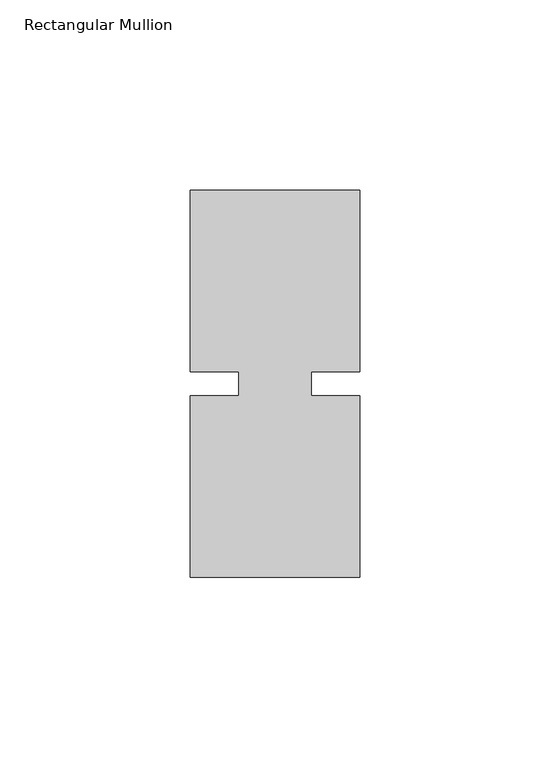
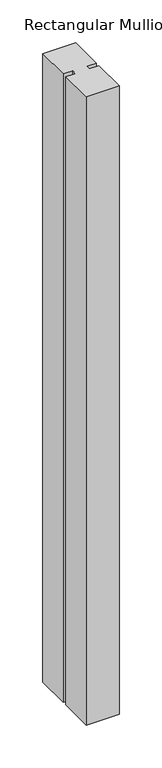
"""IFC4 building model written with IfcOpenShell, lengths in millimetres: member geometry, Rectangular Mullion."""

import ifcopenshell
import ifcopenshell.guid

model = None  # the IFC model being written
_history = None  # IfcOwnerHistory: only IFC2X3 demands one
_inside = {}  # id of a spatial element -> (the spatial element, [elements in it])
_under = {}  # id of a project, library or spatial element -> (it, [spatial elements below it])
_declared = {}  # id of a project -> (the project, [libraries it declares])
_typed = {}  # id of a type object -> (the type object, [elements of that type])
_made_of = {}  # id of a material, layer set ... -> (it, [elements and type objects made of it])


def new_model(schema):
    """Start an empty IFC model of exactly this schema.

    Asked for "IFC4X3", IfcOpenShell would pick the latest addendum, in which some entities
    have other attributes; the version numbers below select the first issue.
    IFC2X3 requires an IfcOwnerHistory on every rooted entity: one is made here for all.
    """
    global model, _history
    if schema == "IFC4X3":
        model = ifcopenshell.file(schema_version=(4, 3, 0, 0))
    else:
        model = ifcopenshell.file(schema=schema)
    _inside.clear()
    _under.clear()
    _declared.clear()
    _typed.clear()
    _made_of.clear()
    _history = None
    if model.schema == "IFC2X3":
        org = make("IfcOrganization", Name="unknown")
        user = make(
            "IfcPersonAndOrganization",
            ThePerson=make("IfcPerson", FamilyName="unknown"),
            TheOrganization=org,
        )
        app = make(
            "IfcApplication",
            ApplicationDeveloper=org,
            Version="unknown",
            ApplicationFullName="unknown",
            ApplicationIdentifier="unknown",
        )
        _history = make(
            "IfcOwnerHistory",
            OwningUser=user,
            OwningApplication=app,
            ChangeAction="ADDED",
            CreationDate=0,
        )
    return model


def make(cls, **values):
    """One entity of the class cls with the attributes given. An attribute that is None is left unset."""
    return model.create_entity(
        cls, **{name: value for name, value in values.items() if value is not None}
    )


def rooted(cls, **values):
    """An entity with a GlobalId (a new one), such as an element, a storey or a relation."""
    return make(cls, GlobalId=ifcopenshell.guid.new(), OwnerHistory=_history, **values)


def si_unit(unit_type, name, prefix=None):
    """IfcSIUnit, for example si_unit("LENGTHUNIT", "METRE", prefix="MILLI")."""
    return make("IfcSIUnit", UnitType=unit_type, Prefix=prefix, Name=name)


def assignment(units):
    """IfcUnitAssignment: the units of a project."""
    return None if units is None else make("IfcUnitAssignment", Units=units)


def point(xyz):
    """IfcCartesianPoint."""
    return None if xyz is None else make("IfcCartesianPoint", Coordinates=xyz)


def direction(xyz):
    """IfcDirection."""
    return None if xyz is None else make("IfcDirection", DirectionRatios=xyz)


def frame(location, z_axis=None, x_axis=None):
    """IfcAxis2Placement3D, a coordinate frame: its origin and axes. An axis left out is left unset."""
    return make(
        "IfcAxis2Placement3D",
        Location=point(location),
        Axis=direction(z_axis),
        RefDirection=direction(x_axis),
    )


def origin():
    """The frame at (0, 0, 0) with its axes left unset."""
    return frame((0.0, 0.0, 0.0))


def place(relative_to, where):
    """IfcLocalPlacement: puts the frame where relative to a parent placement (None: the world)."""
    return make(
        "IfcLocalPlacement", PlacementRelTo=relative_to, RelativePlacement=where
    )


def context(
    kind, dimensions, precision=None, world=None, true_north=None, identifier=None
):
    """IfcGeometricRepresentationContext, for example the 3D "Model" context."""
    return make(
        "IfcGeometricRepresentationContext",
        ContextIdentifier=identifier,
        ContextType=kind,
        CoordinateSpaceDimension=dimensions,
        Precision=precision,
        WorldCoordinateSystem=world,
        TrueNorth=true_north,
    )


def project(units=None, contexts=None):
    """IfcProject with its units and contexts."""
    return rooted(
        "IfcProject",
        Name="project",
        RepresentationContexts=contexts,
        UnitsInContext=assignment(units),
    )


def spatial(cls, under=None, at=None, **own):
    """A site, building, storey or space (cls), placed at a placement, below another one or the project."""
    s = rooted(cls, ObjectPlacement=at, **own)
    if under is not None:
        _under.setdefault(under.id(), (under, []))[1].append(s)
    return s


def polyline(points):
    """IfcPolyline through the points."""
    return make("IfcPolyline", Points=[point(p) for p in points])


def outline(outer, holes=None, kind="AREA"):
    """IfcArbitraryClosedProfileDef: a profile drawn as a closed curve; with holes, ...WithVoids."""
    if holes is None:
        return make("IfcArbitraryClosedProfileDef", ProfileType=kind, OuterCurve=outer)
    return make(
        "IfcArbitraryProfileDefWithVoids",
        ProfileType=kind,
        OuterCurve=outer,
        InnerCurves=holes,
    )


def extrude(swept, where, along, depth):
    """IfcExtrudedAreaSolid: the profile swept, set in the frame where, extruded along a direction by depth."""
    return make(
        "IfcExtrudedAreaSolid",
        SweptArea=swept,
        Position=where,
        ExtrudedDirection=direction(along),
        Depth=depth,
    )


def shape(context_of_items, identifier, shape_type, items):
    """IfcShapeRepresentation: the items that make up one representation, for example the "Body"."""
    return make(
        "IfcShapeRepresentation",
        ContextOfItems=context_of_items,
        RepresentationIdentifier=identifier,
        RepresentationType=shape_type,
        Items=items,
    )


def source(mapping_origin, context_of_items, identifier, shape_type, items):
    """IfcRepresentationMap: a shape defined once, which mapped items show again and again."""
    return make(
        "IfcRepresentationMap",
        MappingOrigin=mapping_origin,
        MappedRepresentation=shape(context_of_items, identifier, shape_type, items),
    )


def transform(
    local_origin,
    x_axis=None,
    y_axis=None,
    z_axis=None,
    scale=None,
    scale2=None,
    scale3=None,
    uniform=True,
):
    """IfcCartesianTransformationOperator3D, or its non-uniform kind. x_axis, y_axis, z_axis: its Axis1, 2, 3."""
    if uniform:
        return make(
            "IfcCartesianTransformationOperator3D",
            Axis1=direction(x_axis),
            Axis2=direction(y_axis),
            LocalOrigin=point(local_origin),
            Scale=scale,
            Axis3=direction(z_axis),
        )
    return make(
        "IfcCartesianTransformationOperator3DnonUniform",
        Axis1=direction(x_axis),
        Axis2=direction(y_axis),
        LocalOrigin=point(local_origin),
        Scale=scale,
        Axis3=direction(z_axis),
        Scale2=scale2,
        Scale3=scale3,
    )


def mapped(mapping_source, mapping_target):
    """IfcMappedItem: shows the shape of a source again, moved by a transform."""
    return make(
        "IfcMappedItem", MappingSource=mapping_source, MappingTarget=mapping_target
    )


def made_of(thing, what):
    """Note that an element or type object is made of a material, layer set ...; save() writes the relation."""
    if what is not None:
        _made_of.setdefault(what.id(), (what, []))[1].append(thing)
    return thing


def element(
    cls,
    number,
    at=None,
    inside=None,
    cuts=None,
    type_object=None,
    material=None,
    context=None,
    identifier="Body",
    shape_type=None,
    held_by="IfcProductDefinitionShape",
    body=None,
    shapes=None,
    **own,
):
    """One element of the class cls, such as IfcWall. Its Tag is "e" and its number.

    at: its placement. inside: the storey or other place that contains it. cuts: it is an
    opening in that element (IfcRelVoidsElement). A single representation is given by context,
    identifier, shape_type and body (its items); several are given by shapes. held_by: the class
    of the entity that holds the representations. save() writes the other relations.
    """
    e = rooted(cls, Tag="e%d" % number, ObjectPlacement=at, **own)
    if body is not None:
        shapes = [shape(context, identifier, shape_type, body)]
    if shapes is not None:
        e.Representation = make(held_by, Representations=shapes)
    if inside is not None:
        _inside.setdefault(inside.id(), (inside, []))[1].append(e)
    if cuts is not None:
        rooted(
            "IfcRelVoidsElement", RelatingBuildingElement=cuts, RelatedOpeningElement=e
        )
    if type_object is not None:
        _typed.setdefault(type_object.id(), (type_object, []))[1].append(e)
    return made_of(e, material)


def aggregate(whole, parts):
    """IfcRelAggregates: a whole, such as a stair, and the parts it consists of."""
    return rooted("IfcRelAggregates", RelatingObject=whole, RelatedObjects=parts)


def save(model, path):
    """Write the relations noted so far, then the file.

    IfcRelAggregates (storeys below a building ...), IfcRelContainedInSpatialStructure (elements
    in a storey), IfcRelDefinesByType, IfcRelAssociatesMaterial and IfcRelDeclares: one each for
    every whole, place, type object, material and project.
    """
    for whole, parts in _under.values():
        aggregate(whole, parts)
    for where, things in _inside.values():
        rooted(
            "IfcRelContainedInSpatialStructure",
            RelatedElements=things,
            RelatingStructure=where,
        )
    for kind, things in _typed.values():
        rooted("IfcRelDefinesByType", RelatedObjects=things, RelatingType=kind)
    for what, things in _made_of.values():
        rooted("IfcRelAssociatesMaterial", RelatedObjects=things, RelatingMaterial=what)
    for by, libraries in _declared.values():
        rooted("IfcRelDeclares", RelatingContext=by, RelatedDefinitions=libraries)
    model.write(path)


def rectangular_mullion_3b7c73c3(model_context):
    return source(origin(), model_context, "Body", "SweptSolid", [
        extrude(outline(polyline([(26.5594027, 50.8), (26.5594027, 3.175), (13.8576322, 3.175), (13.8576322, -3.175), (26.5594027, -3.175), (26.5594027, -50.8), (-17.8905973, -50.8), (-17.8905973, -3.175), (-5.1905973, -3.175), (-5.1905973, 3.175), (-17.8905973, 3.175), (-17.8905973, 50.8), (26.5594027, 50.8)])), frame((0.0, 0.0, -896.5094027), z_axis=(0.0, 0.0, 1.0), x_axis=(1.0, 0.0, 0.0)), (0.0, 0.0, 1.0), 896.5094027),
    ])


if __name__ == "__main__":
    model = new_model("IFC4")
    model_context = context("Model", 3, world=origin())
    ifc_project = project(units=[si_unit("LENGTHUNIT", "METRE", prefix="MILLI")], contexts=[model_context])
    site = spatial("IfcSite", under=ifc_project)
    building = spatial("IfcBuilding", under=site)
    placement = place(None, origin())
    rectangular_mullion_shape = rectangular_mullion_3b7c73c3(model_context)
    element("IfcMember", 1, ObjectType="Rectangular Mullion", at=placement, inside=building, context=model_context, shape_type="MappedRepresentation", body=[
        mapped(rectangular_mullion_shape, transform((0.0, 0.0, 0.0), x_axis=(1.0, 0.0, 0.0), y_axis=(0.0, 1.0, 0.0), z_axis=(0.0, 0.0, 1.0))),
    ])
    save(model, "model.ifc")
